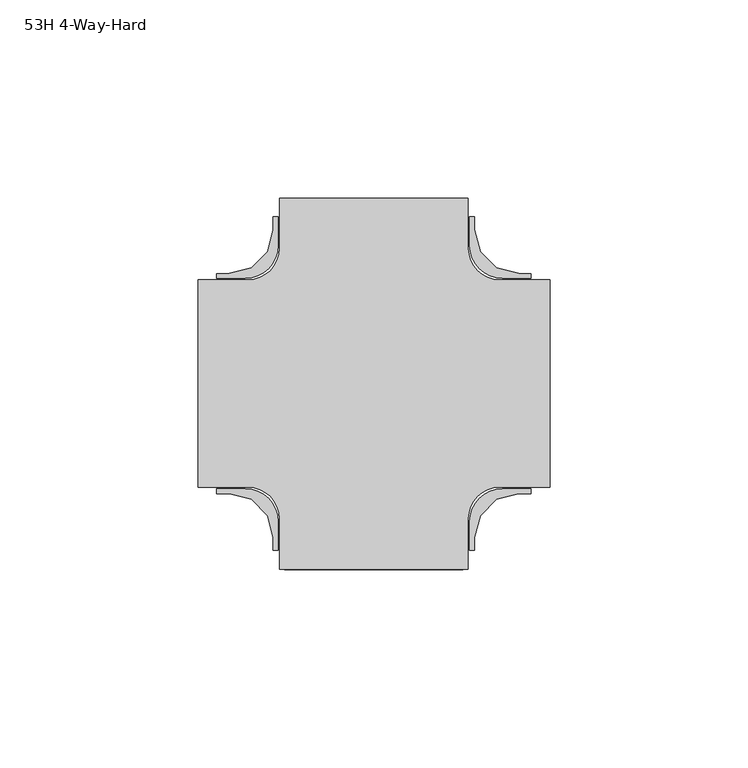
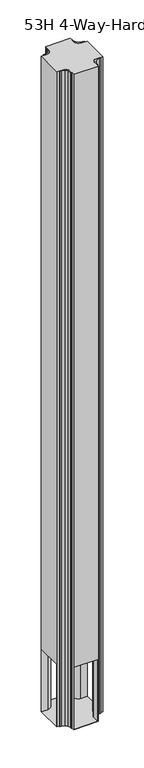
"""IFC4 building model written with IfcOpenShell, lengths in millimetres: furniture geometry, 53H 4-Way-Hard."""

from ifc_helpers import new_model, si_unit, point, frame, frame_2d, origin, place, context, project, spatial, polyline, circle_curve, trimmed, segment, composite_curve, outline, extrude, source, transform, mapped, element, save
from ifc_brep_helpers import plane_surface, cylinder_surface, revolved_surface, advanced_brep


def furniture_53h_4_way_hard_496117e4(model_context):
    return source(origin(), model_context, "Body", "SolidModel", [
        advanced_brep(
        [(-38.1, 0.2270774, 1349.3749758), (-25.3999996, 0.2270774, 1349.3749758), (-17.4618657, -7.7110565, 1349.3749758), (-17.4618657, -20.410424, 1349.3749758), (30.1618626, -20.410424, 1349.3749758), (30.1618626, -7.7110565, 1349.3749758), (38.0999966, 0.2270774, 1349.3749758), (50.799997, 0.2270774, 1349.3749758), (50.799997, 52.614576, 1349.3749758), (38.0999966, 52.614576, 1349.3749758), (30.1618626, 60.55271, 1349.3749758), (30.1618626, 73.2520774, 1349.3749758), (-17.4618657, 73.2520774, 1349.3749758), (-17.4618657, 60.55271, 1349.3749758), (-25.3999996, 52.614576, 1349.3749758), (-38.1, 52.614576, 1349.3749758), (-38.1, 0.2270774, 9.525), (-38.1, 52.614576, 9.525), (-25.3999996, 52.614576, 9.525), (-17.4618657, 60.55271, 9.525), (-17.4618657, 73.2520774, 9.525), (30.1618626, 73.2520774, 9.525), (30.1618626, 60.55271, 9.525), (38.0999966, 52.614576, 9.525), (50.799997, 52.614576, 9.525), (50.799997, 0.2270774, 9.525), (38.0999966, 0.2270774, 9.525), (30.1618626, -7.7110565, 9.525), (30.1618626, -20.410424, 9.525), (-17.4618657, -20.410424, 9.525), (-17.4618657, -7.7110565, 9.525), (-25.3999996, 0.2270774, 9.525), (-38.1, 51.344576, 136.525), (-38.1, 1.4970774, 136.525), (-38.1, 1.4970774, 9.779), (-38.1, 51.344576, 9.779), (-16.1918657, -20.410424, 136.525), (28.8918626, -20.410424, 136.525), (28.8918626, -20.410424, 9.779), (-16.1918657, -20.410424, 9.779), (50.799997, 1.4970774, 136.525), (50.799997, 51.344576, 136.525), (50.799997, 51.344576, 9.779), (50.799997, 1.4970774, 9.779), (28.8918626, 73.2520774, 136.525), (-16.1918657, 73.2520774, 136.525), (-16.1918657, 73.2520774, 9.779), (28.8918626, 73.2520774, 9.779), (38.0999966, 1.4970774, 136.525), (28.8918626, -7.7110565, 136.525), (-16.1918657, -7.7110565, 136.525), (-25.3999996, 1.4970774, 136.525), (-25.3999996, 51.344576, 136.525), (-16.1918657, 60.55271, 136.525), (28.8918626, 60.55271, 136.525), (38.0999966, 51.344576, 136.525), (38.0999966, 51.344576, 9.779), (28.8918626, 60.55271, 9.779), (-16.1918657, 60.55271, 9.779), (-25.3999996, 51.344576, 9.779), (-25.3999996, 1.4970774, 9.779), (-16.1918657, -7.7110565, 9.779), (28.8918626, -7.7110565, 9.779), (38.0999966, 1.4970774, 9.779)],
        [
            (0, 1),
            (1, 2, circle_curve(frame((-25.3999996, -7.7110565, 1349.3749758), z_axis=(0.0, 0.0, -1.0), x_axis=(1.0, 0.0, 0.0)), 7.938134)),
            (2, 3),
            (3, 4),
            (4, 5),
            (5, 6, circle_curve(frame((38.0999966, -7.7110565, 1349.3749758), z_axis=(0.0, 0.0, -1.0), x_axis=(1.0, 0.0, 0.0)), 7.938134)),
            (6, 7),
            (7, 8),
            (8, 9),
            (9, 10, circle_curve(frame((38.0999966, 60.55271, 1349.3749758), z_axis=(0.0, 0.0, -1.0), x_axis=(1.0, 0.0, 0.0)), 7.938134)),
            (10, 11),
            (11, 12),
            (12, 13),
            (13, 14, circle_curve(frame((-25.3999996, 60.55271, 1349.3749758), z_axis=(0.0, 0.0, -1.0), x_axis=(1.0, 0.0, 0.0)), 7.938134)),
            (14, 15),
            (15, 0),
            (16, 17),
            (17, 18),
            (18, 19, circle_curve(frame((-25.3999996, 60.55271, 9.525), z_axis=(0.0, 0.0, 1.0), x_axis=(1.0, 0.0, 0.0)), 7.938134)),
            (19, 20),
            (20, 21),
            (21, 22),
            (22, 23, circle_curve(frame((38.0999966, 60.55271, 9.525), z_axis=(0.0, 0.0, 1.0), x_axis=(1.0, 0.0, 0.0)), 7.938134)),
            (23, 24),
            (24, 25),
            (25, 26),
            (26, 27, circle_curve(frame((38.0999966, -7.7110565, 9.525), z_axis=(0.0, 0.0, 1.0), x_axis=(1.0, 0.0, 0.0)), 7.938134)),
            (27, 28),
            (28, 29),
            (29, 30),
            (30, 31, circle_curve(frame((-25.3999996, -7.7110565, 9.525), z_axis=(0.0, 0.0, 1.0), x_axis=(1.0, 0.0, 0.0)), 7.938134)),
            (31, 16),
            (15, 17),
            (16, 0),
            (32, 33),
            (33, 34),
            (34, 35),
            (35, 32),
            (3, 29),
            (28, 4),
            (36, 37),
            (37, 38),
            (38, 39),
            (39, 36),
            (7, 25),
            (24, 8),
            (40, 41),
            (41, 42),
            (42, 43),
            (43, 40),
            (31, 1),
            (30, 2),
            (27, 5),
            (26, 6),
            (23, 9),
            (22, 10),
            (21, 11),
            (20, 12),
            (44, 45),
            (45, 46),
            (46, 47),
            (47, 44),
            (19, 13),
            (18, 14),
            (48, 49, circle_curve(frame((38.0999966, -7.7110565, 136.525), z_axis=(0.0, 0.0, 1.0), x_axis=(1.0, 0.0, 0.0)), 9.208134)),
            (49, 37),
            (36, 50),
            (50, 51, circle_curve(frame((-25.3999996, -7.7110565, 136.525), z_axis=(0.0, 0.0, 1.0), x_axis=(1.0, 0.0, 0.0)), 9.208134)),
            (51, 33),
            (32, 52),
            (52, 53, circle_curve(frame((-25.3999996, 60.55271, 136.525), z_axis=(0.0, 0.0, 1.0), x_axis=(1.0, 0.0, 0.0)), 9.208134)),
            (53, 45),
            (44, 54),
            (54, 55, circle_curve(frame((38.0999966, 60.55271, 136.525), z_axis=(0.0, 0.0, 1.0), x_axis=(1.0, 0.0, 0.0)), 9.208134)),
            (55, 41),
            (40, 48),
            (56, 57, circle_curve(frame((38.0999966, 60.55271, 9.779), z_axis=(0.0, 0.0, -1.0), x_axis=(1.0, 0.0, 0.0)), 9.208134)),
            (57, 47),
            (46, 58),
            (58, 59, circle_curve(frame((-25.3999996, 60.55271, 9.779), z_axis=(0.0, 0.0, -1.0), x_axis=(1.0, 0.0, 0.0)), 9.208134)),
            (59, 35),
            (34, 60),
            (60, 61, circle_curve(frame((-25.3999996, -7.7110565, 9.779), z_axis=(0.0, 0.0, -1.0), x_axis=(1.0, 0.0, 0.0)), 9.208134)),
            (61, 39),
            (38, 62),
            (62, 63, circle_curve(frame((38.0999966, -7.7110565, 9.779), z_axis=(0.0, 0.0, -1.0), x_axis=(1.0, 0.0, 0.0)), 9.208134)),
            (63, 43),
            (42, 56),
            (51, 60),
            (50, 61),
            (49, 62),
            (48, 63),
            (55, 56),
            (54, 57),
            (53, 58),
            (52, 59),
        ],
        [
            plane_surface(frame((-38.1, 0.2270774, 1349.3749758), z_axis=(0.0, 0.0, 1.0), x_axis=(1.0, 0.0, 0.0))),
            plane_surface(frame((-38.1, 0.2270774, 9.525), z_axis=(0.0, 0.0, -1.0), x_axis=(-1.0, 0.0, 0.0))),
            plane_surface(frame((-38.1, 52.614576, 1349.3749758), z_axis=(-1.0, 0.0, 0.0), x_axis=(0.0, 0.0, -1.0))),
            plane_surface(frame((-17.4618657, -20.410424, 1349.3749758), z_axis=(0.0, -1.0, 0.0), x_axis=(0.0, 0.0, -1.0))),
            plane_surface(frame((50.799997, 0.2270774, 1349.3749758), z_axis=(1.0, 0.0, 0.0), x_axis=(0.0, 0.0, -1.0))),
            plane_surface(frame((-38.1, 0.2270774, 1349.3749758), z_axis=(0.0, -1.0, 0.0), x_axis=(0.0, 0.0, -1.0))),
            revolved_surface(polyline([(-17.461865600000003, -7.7110565, 9.525), (-17.461865600000003, -7.7110565, 1349.3749758)]), (-25.3999996, -7.7110565, 9.525), (0.0, 0.0, -1.0)),
            plane_surface(frame((-17.4618657, -7.7110565, 1349.3749758), z_axis=(-1.0, 0.0, 0.0), x_axis=(0.0, 0.0, -1.0))),
            plane_surface(frame((30.1618626, -20.410424, 1349.3749758), z_axis=(1.0, 0.0, 0.0), x_axis=(0.0, 0.0, -1.0))),
            revolved_surface(polyline([(46.038130599999995, -7.7110565, 9.525), (46.038130599999995, -7.7110565, 1349.3749758)]), (38.0999966, -7.7110565, 9.525), (0.0, 0.0, -1.0)),
            plane_surface(frame((38.0999966, 0.2270774, 1349.3749758), z_axis=(0.0, -1.0, 0.0), x_axis=(0.0, 0.0, -1.0))),
            plane_surface(frame((50.799997, 52.614576, 1349.3749758), z_axis=(0.0, 1.0, 0.0), x_axis=(0.0, 0.0, -1.0))),
            revolved_surface(polyline([(46.038130599999995, 60.55271, 9.525), (46.038130599999995, 60.55271, 1349.3749758)]), (38.0999966, 60.55271, 9.525), (0.0, 0.0, -1.0)),
            plane_surface(frame((30.1618626, 60.55271, 1349.3749758), z_axis=(1.0, 0.0, 0.0), x_axis=(0.0, 0.0, -1.0))),
            plane_surface(frame((30.1618626, 73.2520774, 1349.3749758), z_axis=(0.0, 1.0, 0.0), x_axis=(0.0, 0.0, -1.0))),
            plane_surface(frame((-17.4618657, 73.2520774, 1349.3749758), z_axis=(-1.0, 0.0, 0.0), x_axis=(0.0, 0.0, -1.0))),
            revolved_surface(polyline([(-17.461865600000003, 60.55271, 9.525), (-17.461865600000003, 60.55271, 1349.3749758)]), (-25.3999996, 60.55271, 9.525), (0.0, 0.0, -1.0)),
            plane_surface(frame((-25.3999996, 52.614576, 1349.3749758), z_axis=(0.0, 1.0, 0.0), x_axis=(0.0, 0.0, -1.0))),
            plane_surface(frame((38.0999966, 51.344576, 136.525), z_axis=(0.0, 0.0, -1.0), x_axis=(-1.0, 0.0, 0.0))),
            plane_surface(frame((38.0999966, 51.344576, 9.779), z_axis=(0.0, 0.0, 1.0), x_axis=(1.0, 0.0, 0.0))),
            plane_surface(frame((-43.18, 1.4970774, 136.525), z_axis=(0.0, 1.0, 0.0), x_axis=(0.0, 0.0, -1.0))),
            cylinder_surface(frame((-25.3999996, -7.7110565, 9.779), z_axis=(0.0, 0.0, -1.0), x_axis=(1.0, 0.0, 0.0)), 9.208134),
            plane_surface(frame((-16.1918657, -7.7110565, 136.525), z_axis=(1.0, 0.0, 0.0), x_axis=(0.0, 0.0, -1.0))),
            plane_surface(frame((28.8918626, -23.7122902, 136.525), z_axis=(-1.0, 0.0, 0.0), x_axis=(0.0, 0.0, -1.0))),
            cylinder_surface(frame((38.0999966, -7.7110565, 9.779), z_axis=(0.0, 0.0, -1.0), x_axis=(1.0, 0.0, 0.0)), 9.208134),
            plane_surface(frame((38.0999966, 1.4970774, 136.525), z_axis=(0.0, 1.0, 0.0), x_axis=(0.0, 0.0, -1.0))),
            plane_surface(frame((54.292497, 51.344576, 136.525), z_axis=(0.0, -1.0, 0.0), x_axis=(0.0, 0.0, -1.0))),
            cylinder_surface(frame((38.0999966, 60.55271, 9.779), z_axis=(0.0, 0.0, -1.0), x_axis=(1.0, 0.0, 0.0)), 9.208134),
            plane_surface(frame((28.8918626, 60.55271, 136.525), z_axis=(-1.0, 0.0, 0.0), x_axis=(0.0, 0.0, -1.0))),
            plane_surface(frame((-16.1918657, 76.5539436, 136.525), z_axis=(1.0, 0.0, 0.0), x_axis=(0.0, 0.0, -1.0))),
            cylinder_surface(frame((-25.3999996, 60.55271, 9.779), z_axis=(0.0, 0.0, -1.0), x_axis=(1.0, 0.0, 0.0)), 9.208134),
            plane_surface(frame((-25.3999996, 51.344576, 136.525), z_axis=(0.0, -1.0, 0.0), x_axis=(0.0, 0.0, -1.0))),
        ],
        [
            (0, [[1, 2, 3, 4, 5, 6, 7, 8, 9, 10, 11, 12, 13, 14, 15, 16]]),
            (1, [[17, 18, 19, 20, 21, 22, 23, 24, 25, 26, 27, 28, 29, 30, 31, 32]]),
            (2, [[-16, 33, -17, 34], [35, 36, 37, 38]]),
            (3, [[-4, 39, -29, 40], [41, 42, 43, 44]]),
            (4, [[-8, 45, -25, 46], [47, 48, 49, 50]]),
            (5, [[-1, -34, -32, 51]]),
            (6, [[-2, -51, -31, 52]]),
            (7, [[-3, -52, -30, -39]]),
            (8, [[-5, -40, -28, 53]]),
            (9, [[-6, -53, -27, 54]]),
            (10, [[-7, -54, -26, -45]]),
            (11, [[-9, -46, -24, 55]]),
            (12, [[-10, -55, -23, 56]]),
            (13, [[-11, -56, -22, 57]]),
            (14, [[-12, -57, -21, 58], [59, 60, 61, 62]]),
            (15, [[-13, -58, -20, 63]]),
            (16, [[-14, -63, -19, 64]]),
            (17, [[-15, -64, -18, -33]]),
            (18, [[65, 66, -41, 67, 68, 69, -35, 70, 71, 72, -59, 73, 74, 75, -47, 76]]),
            (19, [[77, 78, -61, 79, 80, 81, -37, 82, 83, 84, -43, 85, 86, 87, -49, 88]]),
            (20, [[89, -82, -36, -69]]),
            (21, [[-68, 90, -83, -89]]),
            (22, [[-90, -67, -44, -84]]),
            (23, [[91, -85, -42, -66]]),
            (24, [[-65, 92, -86, -91]]),
            (25, [[-92, -76, -50, -87]]),
            (26, [[93, -88, -48, -75]]),
            (27, [[-74, 94, -77, -93]]),
            (28, [[-94, -73, -62, -78]]),
            (29, [[95, -79, -60, -72]]),
            (30, [[-71, 96, -80, -95]]),
            (31, [[-96, -70, -38, -81]]),
        ],
    ),
        extrude(outline(composite_curve([segment(polyline([(31.7500015, 68.489579), (31.7506328, 65.2764757), (33.2343222, 59.7392774), (37.2878357, 55.6857639), (42.8250386, 54.202079), (46.037497, 54.2014432), (46.037497, 53.0082793), (38.8750832, 53.0082793)]), True, "CONTINUOUS"), segment(trimmed(circle_curve(frame_2d((38.8750832, 61.3265294)), 8.3182501), [point((38.8750832, 53.0082793))], [point((30.5568331, 61.3265294))], False, "CARTESIAN"), True, "CONTINUOUS"), segment(polyline([(30.5568331, 61.3265294), (30.5568331, 68.489579), (31.7500015, 68.489579)]), True, "CONTINUOUS")], self_intersect=False)), frame((0.0, 0.0, 9.525), z_axis=(0.0, 0.0, 1.0), x_axis=(1.0, 0.0, 0.0)), (0.0, 0.0, 1.0), 1339.8499758),
        extrude(outline(composite_curve([segment(polyline([(-19.0500045, 68.489579), (-17.8568361, 68.489579), (-17.8568361, 61.3265294)]), True, "CONTINUOUS"), segment(trimmed(circle_curve(frame_2d((-26.1750862, 61.3265294)), 8.3182501), [point((-17.8568361, 61.3265294))], [point((-26.1750862, 53.0082793))], False, "CARTESIAN"), True, "CONTINUOUS"), segment(polyline([(-26.1750862, 53.0082793), (-33.3375, 53.0082793), (-33.3375, 54.2014432), (-30.1250417, 54.202079), (-24.5878388, 55.6857639), (-20.5343253, 59.7392774), (-19.0506359, 65.2764757), (-19.0500045, 68.489579)]), True, "CONTINUOUS")], self_intersect=False)), frame((0.0, 0.0, 9.525), z_axis=(0.0, 0.0, 1.0), x_axis=(1.0, 0.0, 0.0)), (0.0, 0.0, 1.0), 1339.8499758),
        extrude(outline(composite_curve([segment(polyline([(31.7500015, -15.6479256), (30.5568331, -15.6479256), (30.5568331, -8.4848759)]), True, "CONTINUOUS"), segment(trimmed(circle_curve(frame_2d((38.8750832, -8.4848759)), 8.3182501), [point((30.5568331, -8.4848759))], [point((38.8750832, -0.1666258))], False, "CARTESIAN"), True, "CONTINUOUS"), segment(polyline([(38.8750832, -0.1666258), (46.037497, -0.1666258), (46.037497, -1.3597897), (42.8250386, -1.3604256), (37.2878357, -2.8441105), (33.2343222, -6.897624), (31.7506328, -12.4348223), (31.7500015, -15.6479256)]), True, "CONTINUOUS")], self_intersect=False)), frame((0.0, 0.0, 9.525), z_axis=(0.0, 0.0, 1.0), x_axis=(1.0, 0.0, 0.0)), (0.0, 0.0, 1.0), 1339.8499758),
        extrude(outline(composite_curve([segment(polyline([(-19.0500045, -15.6479256), (-19.0506359, -12.4348223), (-20.5343253, -6.897624), (-24.5878388, -2.8441105), (-30.1250417, -1.3604256), (-33.3375, -1.3597897), (-33.3375, -0.1666258), (-26.1750862, -0.1666258)]), True, "CONTINUOUS"), segment(trimmed(circle_curve(frame_2d((-26.1750862, -8.4848759)), 8.3182501), [point((-26.1750862, -0.1666258))], [point((-17.8568361, -8.4848759))], False, "CARTESIAN"), True, "CONTINUOUS"), segment(polyline([(-17.8568361, -8.4848759), (-17.8568361, -15.6479256), (-19.0500045, -15.6479256)]), True, "CONTINUOUS")], self_intersect=False)), frame((0.0, 0.0, 9.525), z_axis=(0.0, 0.0, 1.0), x_axis=(1.0, 0.0, 0.0)), (0.0, 0.0, 1.0), 1339.8499758),
    ])


if __name__ == "__main__":
    model = new_model("IFC4")
    model_context = context("Model", 3, world=origin())
    ifc_project = project(units=[si_unit("LENGTHUNIT", "METRE", prefix="MILLI")], contexts=[model_context])
    site = spatial("IfcSite", under=ifc_project)
    building = spatial("IfcBuilding", under=site)
    placement = place(None, origin())
    furniture_53h_4_way_hard_shape = furniture_53h_4_way_hard_496117e4(model_context)
    element("IfcFurniture", 1, ObjectType="53H 4-Way-Hard", at=placement, inside=building, context=model_context, shape_type="MappedRepresentation", body=[
        mapped(furniture_53h_4_way_hard_shape, transform((0.0, 0.0, 0.0), x_axis=(1.0, 0.0, 0.0), y_axis=(0.0, 1.0, 0.0), z_axis=(0.0, 0.0, 1.0))),
    ])
    save(model, "model.ifc")
